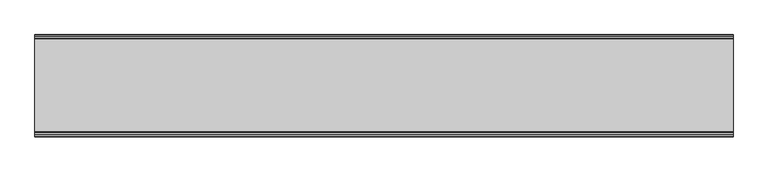
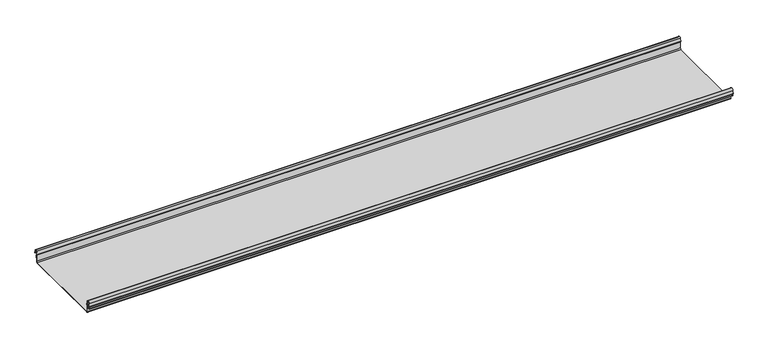
"""IFC4 building model written with IfcOpenShell, lengths in millimetres: beam geometry."""

from ifc_helpers import new_model, si_unit, frame, origin, place, context, project, spatial, polyline, circle_curve, source, transform, mapped, element, save
from ifc_brep_helpers import plane_surface, cylinder_surface, revolved_surface, advanced_brep


def beam_177447ba(model_context):
    return source(origin(), model_context, "Body", "AdvancedBrep", [
        advanced_brep(
        [(1208.3106884, 174.5298471, 17.4730576), (1208.3106884, 169.9958217, 21.2486363), (1208.3106884, 165.4890072, 17.6093124), (1208.3106884, 163.0420077, 6.2503755), (1208.3106884, 164.7006671, 3.7959761), (1208.3106884, 165.8698319, 2.0849359), (1208.3106884, 164.3793103, -21.3247551), (1208.3106884, 160.6848586, -24.7896475), (1208.3106884, -159.5640942, -24.7896475), (1208.3106884, -163.2568715, -21.3207217), (1208.3106884, -164.7263748, 2.1632779), (1208.3106884, -164.0984471, 3.0966958), (1208.3106884, -161.8868093, 6.1624874), (1208.3106884, -162.770348, 17.3389905), (1208.3106884, -170.0, 24.0196704), (1208.3106884, -177.229652, 17.3389905), (1208.3106884, -178.1131907, 6.1624874), (1208.3106884, -175.9015529, 3.0966958), (1208.3106884, -175.2736252, 2.1632779), (1208.3106884, -175.6653397, -4.0966758), (1208.3106884, -174.6633838, -4.0966758), (1208.3106884, -174.255975, 2.4140875), (1208.3106884, -175.661391, 4.0675496), (1208.3106884, -177.1158116, 6.08368), (1208.3106884, -176.2261211, 17.3379999), (1208.3106884, -170.0, 23.0196704), (1208.3106884, -163.767144, 17.2589936), (1208.3106884, -162.8795452, 6.0037927), (1208.3106884, -164.338609, 4.0675496), (1208.3106884, -165.744025, 2.4140875), (1208.3106884, -164.2549195, -21.3831743), (1208.3106884, -159.5640942, -25.7896475), (1208.3106884, 160.6846135, -25.7896475), (1208.3106884, 165.3772895, -21.3882975), (1208.3106884, 166.868024, 2.0247376), (1208.3106884, 164.9644432, 4.7613501), (1208.3106884, 164.0277999, 6.0779003), (1208.3106884, 166.4434849, 17.2822335), (1208.3106884, 170.0063307, 20.2496221), (1208.3106884, 173.4803249, 17.6539317), (1208.3106884, 175.5075757, 6.5459412), (1208.3106884, 176.5074356, 6.7299959), (-1208.3106884, 174.5298471, 17.4730576), (-1208.3106884, 176.5074356, 6.7299959), (-1208.3106884, 175.5075757, 6.5459412), (-1208.3106884, 173.4803249, 17.6539317), (-1208.3106884, 170.0063307, 20.2496221), (-1208.3106884, 166.4434849, 17.2822335), (-1208.3106884, 164.0277999, 6.0779003), (-1208.3106884, 164.9644432, 4.7613501), (-1208.3106884, 166.868024, 2.0247376), (-1208.3106884, 165.3772895, -21.3882975), (-1208.3106884, 160.6846135, -25.7896475), (-1208.3106884, -159.5640942, -25.7896475), (-1208.3106884, -164.2549195, -21.3831743), (-1208.3106884, -165.744025, 2.4140875), (-1208.3106884, -164.338609, 4.0675496), (-1208.3106884, -162.8795452, 6.0037927), (-1208.3106884, -163.767144, 17.2589936), (-1208.3106884, -170.0, 23.0196704), (-1208.3106884, -176.2261211, 17.3379999), (-1208.3106884, -177.1158116, 6.08368), (-1208.3106884, -175.661391, 4.0675496), (-1208.3106884, -174.255975, 2.4140875), (-1208.3106884, -174.6633838, -4.0966758), (-1208.3106884, -175.6653397, -4.0966758), (-1208.3106884, -175.2736252, 2.1632779), (-1208.3106884, -175.9015529, 3.0966958), (-1208.3106884, -178.1066021, 6.2458324), (-1208.3106884, -177.229652, 17.3389905), (-1208.3106884, -170.0, 24.0196704), (-1208.3106884, -162.770348, 17.3389905), (-1208.3106884, -161.8868093, 6.1624874), (-1208.3106884, -164.0984471, 3.0966958), (-1208.3106884, -164.7263748, 2.1632779), (-1208.3106884, -163.2568715, -21.3207217), (-1208.3106884, -159.5640942, -24.7896475), (-1208.3106884, 160.6848586, -24.7896475), (-1208.3106884, 164.3793103, -21.3247551), (-1208.3106884, 165.8698319, 2.0849359), (-1208.3106884, 164.7006671, 3.7959761), (-1208.3106884, 163.0420077, 6.2503755), (-1208.3106884, 165.4890072, 17.6093124), (-1208.3106884, 169.9958217, 21.2486363)],
        [
            (0, 1, circle_curve(frame((1208.3106884, 169.9958217, 16.6384317), z_axis=(1.0, 0.0, 0.0), x_axis=(0.0, 1.0, 0.0)), 4.6102046)),
            (1, 2, circle_curve(frame((1208.3106884, 169.9958217, 16.6384317), z_axis=(1.0, 0.0, 0.0), x_axis=(0.0, 0.2105938444020083, 0.9775736456656259)), 4.6102046)),
            (2, 3),
            (3, 4, circle_curve(frame((1208.3106884, 165.4262002, 6.073937), z_axis=(1.0, 0.0, 0.0), x_axis=(0.0, -0.9528378408797884, 0.30347989881958104)), 2.3907121)),
            (4, 5, circle_curve(frame((1208.3106884, 164.1897695, 2.1919074), z_axis=(-1.0, 0.0, 0.0), x_axis=(0.0, 0.06354246328302078, 0.9979791357337717)), 1.6834645)),
            (5, 6),
            (6, 7, circle_curve(frame((1208.3106884, 160.6867875, -21.089648), z_axis=(-1.0, 0.0, 0.0), x_axis=(0.0, 0.9999998641088232, -0.0005213274739325337)), 3.7)),
            (7, 8),
            (8, 9, circle_curve(frame((1208.3106884, -159.5640942, -21.0896475), z_axis=(-1.0, 0.0, 0.0), x_axis=(0.0, 0.062452508687223206, -0.9980479368039755)), 3.7)),
            (9, 10),
            (10, 11, circle_curve(frame((1208.3106884, -163.8044049, 2.2209698), z_axis=(-1.0, 0.0, 0.0), x_axis=(0.0, -0.9479881328261025, -0.31830567073314897)), 0.9237732)),
            (11, 12, circle_curve(frame((1208.3106884, -164.7984694, 5.9323112), z_axis=(1.0, 0.0, 0.0), x_axis=(0.0, 0.07880737243916666, -0.9968898625471294)), 2.9207441)),
            (12, 13),
            (13, 14, circle_curve(frame((1208.3106884, -170.0, 16.7674631), z_axis=(1.0, 0.0, 0.0), x_axis=(0.0, 1.0, 0.0)), 7.2522073)),
            (14, 15, circle_curve(frame((1208.3106884, -170.0, 16.7674631), z_axis=(1.0, 0.0, 0.0), x_axis=(0.0, 0.07880737243912425, 0.9968898625471327)), 7.2522073)),
            (15, 16),
            (16, 17, circle_curve(frame((1208.3106884, -175.2001089, 5.9344165), z_axis=(1.0, 0.0, 0.0), x_axis=(0.0, -0.9707819351134729, 0.2399634023290655)), 2.9231288)),
            (17, 18, circle_curve(frame((1208.3106884, -176.1025472, 2.2835649), z_axis=(-1.0, 0.0, 0.0), x_axis=(0.0, 0.14360843272178178, 0.9896345881441257)), 0.8376041)),
            (18, 19),
            (19, 20, circle_curve(frame((1208.3106884, -175.1643617, -4.0966758), z_axis=(1.0, 0.0, 0.0), x_axis=(0.0, 0.0, -1.0)), 0.5009779)),
            (20, 21),
            (21, 22, circle_curve(frame((1208.3106884, -176.1062911, 2.2653702), z_axis=(1.0, 0.0, 0.0), x_axis=(0.0, 0.9708537722163966, -0.23967259537375799)), 1.856283)),
            (22, 23, circle_curve(frame((1208.3106884, -175.2010412, 5.9323112), z_axis=(-1.0, 0.0, 0.0), x_axis=(0.0, -0.07880737243914376, -0.9968898625471312)), 1.9207441)),
            (23, 24),
            (24, 25, circle_curve(frame((1208.3106884, -170.0770494, 16.8518958), z_axis=(-1.0, 0.0, 0.0), x_axis=(0.0, -0.9999219808421378, 0.012491286112139365)), 6.1682558)),
            (25, 26, circle_curve(frame((1208.3106884, -170.0791743, 16.6817991), z_axis=(-1.0, 0.0, 0.0), x_axis=(0.0, -0.09106361391821856, 0.9958450774192508)), 6.3383658)),
            (26, 27),
            (27, 28, circle_curve(frame((1208.3106884, -164.70299, 5.8599936), z_axis=(-1.0, 0.0, 0.0), x_axis=(0.0, 0.9799562955839813, 0.19921259685401593)), 1.8291061)),
            (28, 29, circle_curve(frame((1208.3106884, -163.9886548, 2.3460727), z_axis=(1.0, 0.0, 0.0), x_axis=(0.0, 0.03871763325448635, 0.9992501913310655)), 1.7566874)),
            (29, 30),
            (30, 31, circle_curve(frame((1208.3106884, -159.5640942, -21.0896475), z_axis=(1.0, 0.0, 0.0), x_axis=(0.0, -1.0, 0.0)), 4.7)),
            (31, 32),
            (32, 33, circle_curve(frame((1208.3106884, 160.6846135, -21.0873301), z_axis=(1.0, 0.0, 0.0), x_axis=(0.0, -0.06400407594283139, -0.997949637137418)), 4.7023174)),
            (33, 34),
            (34, 35, circle_curve(frame((1208.3106884, 164.1939121, 2.1950013), z_axis=(1.0, 0.0, 0.0), x_axis=(0.0, 0.9577619201002135, -0.2875623487279797)), 2.6795268)),
            (35, 36, circle_curve(frame((1208.3106884, 165.0972859, 5.8473161), z_axis=(-1.0, 0.0, 0.0), x_axis=(0.0, -0.210759855052358, -0.9775378680635902)), 1.094061)),
            (36, 37),
            (37, 38, circle_curve(frame((1208.3106884, 170.0063307, 16.627032), z_axis=(-1.0, 0.0, 0.0), x_axis=(0.0, -1.0, 0.0)), 3.6225901)),
            (38, 39, circle_curve(frame((1208.3106884, 170.0063307, 16.627032), z_axis=(-1.0, 0.0, 0.0), x_axis=(0.0, -0.2834711363957483, 0.9589807687490417)), 3.6225901)),
            (39, 40),
            (40, 41, circle_curve(frame((1208.3106884, 176.0075057, 6.6379685), z_axis=(1.0, 0.0, 0.0), x_axis=(0.0, 0.18103878268247353, -0.9834759575937014)), 0.5083296)),
            (41, 0),
            (42, 43),
            (43, 44, circle_curve(frame((-1208.3106884, 176.0075057, 6.6379685), z_axis=(-1.0, 0.0, 0.0), x_axis=(0.0, 0.18103878268247353, -0.9834759575937014)), 0.5083296)),
            (44, 45),
            (45, 46, circle_curve(frame((-1208.3106884, 170.0063307, 16.627032), z_axis=(1.0, 0.0, 0.0), x_axis=(0.0, -0.2834711363957483, 0.9589807687490417)), 3.6225901)),
            (46, 47, circle_curve(frame((-1208.3106884, 170.0063307, 16.627032), z_axis=(1.0, 0.0, 0.0), x_axis=(0.0, -1.0, 0.0)), 3.6225901)),
            (47, 48),
            (48, 49, circle_curve(frame((-1208.3106884, 165.0972859, 5.8473161), z_axis=(1.0, 0.0, 0.0), x_axis=(0.0, -0.210759855052358, -0.9775378680635902)), 1.094061)),
            (49, 50, circle_curve(frame((-1208.3106884, 164.1939121, 2.1950013), z_axis=(-1.0, 0.0, 0.0), x_axis=(0.0, 0.9577619201002135, -0.2875623487279797)), 2.6795268)),
            (50, 51),
            (51, 52, circle_curve(frame((-1208.3106884, 160.6846135, -21.0873301), z_axis=(-1.0, 0.0, 0.0), x_axis=(0.0, -0.06400407594283139, -0.997949637137418)), 4.7023174)),
            (52, 53),
            (53, 54, circle_curve(frame((-1208.3106884, -159.5640942, -21.0896475), z_axis=(-1.0, 0.0, 0.0), x_axis=(0.0, -1.0, 0.0)), 4.7)),
            (54, 55),
            (55, 56, circle_curve(frame((-1208.3106884, -163.9886548, 2.3460727), z_axis=(-1.0, 0.0, 0.0), x_axis=(0.0, 0.03871763325448635, 0.9992501913310655)), 1.7566874)),
            (56, 57, circle_curve(frame((-1208.3106884, -164.70299, 5.8599936), z_axis=(1.0, 0.0, 0.0), x_axis=(0.0, 0.9799562955839813, 0.19921259685401593)), 1.8291061)),
            (57, 58),
            (58, 59, circle_curve(frame((-1208.3106884, -170.0791743, 16.6817991), z_axis=(1.0, 0.0, 0.0), x_axis=(0.0, -0.09106361391821856, 0.9958450774192508)), 6.3383658)),
            (59, 60, circle_curve(frame((-1208.3106884, -170.0770494, 16.8518958), z_axis=(1.0, 0.0, 0.0), x_axis=(0.0, -0.9999219808421378, 0.012491286112139365)), 6.1682558)),
            (60, 61),
            (61, 62, circle_curve(frame((-1208.3106884, -175.2010412, 5.9323112), z_axis=(1.0, 0.0, 0.0), x_axis=(0.0, -0.07880737243914376, -0.9968898625471312)), 1.9207441)),
            (62, 63, circle_curve(frame((-1208.3106884, -176.1062911, 2.2653702), z_axis=(-1.0, 0.0, 0.0), x_axis=(0.0, 0.9708537722163966, -0.23967259537375799)), 1.856283)),
            (63, 64),
            (64, 65, circle_curve(frame((-1208.3106884, -175.1643617, -4.0966758), z_axis=(-1.0, 0.0, 0.0), x_axis=(0.0, 0.0, -1.0)), 0.5009779)),
            (65, 66),
            (66, 67, circle_curve(frame((-1208.3106884, -176.1025472, 2.2835649), z_axis=(1.0, 0.0, 0.0), x_axis=(0.0, 0.14360843272178178, 0.9896345881441257)), 0.8376041)),
            (67, 68, circle_curve(frame((-1208.3106884, -175.2001089, 5.9344165), z_axis=(-1.0, 0.0, 0.0), x_axis=(0.0, -0.9707819351134729, 0.2399634023290655)), 2.9231288)),
            (68, 69),
            (69, 70, circle_curve(frame((-1208.3106884, -170.0, 16.7674631), z_axis=(-1.0, 0.0, 0.0), x_axis=(0.0, 0.07880737243912425, 0.9968898625471327)), 7.2522073)),
            (70, 71, circle_curve(frame((-1208.3106884, -170.0, 16.7674631), z_axis=(-1.0, 0.0, 0.0), x_axis=(0.0, 1.0, 0.0)), 7.2522073)),
            (71, 72),
            (72, 73, circle_curve(frame((-1208.3106884, -164.7984694, 5.9323112), z_axis=(-1.0, 0.0, 0.0), x_axis=(0.0, 0.07880737243916666, -0.9968898625471294)), 2.9207441)),
            (73, 74, circle_curve(frame((-1208.3106884, -163.8044049, 2.2209698), z_axis=(1.0, 0.0, 0.0), x_axis=(0.0, -0.9479881328261025, -0.31830567073314897)), 0.9237732)),
            (74, 75),
            (75, 76, circle_curve(frame((-1208.3106884, -159.5640942, -21.0896475), z_axis=(1.0, 0.0, 0.0), x_axis=(0.0, 0.062452508687223206, -0.9980479368039755)), 3.7)),
            (76, 77),
            (77, 78, circle_curve(frame((-1208.3106884, 160.6867875, -21.089648), z_axis=(1.0, 0.0, 0.0), x_axis=(0.0, 0.9999998641088232, -0.0005213274739325337)), 3.7)),
            (78, 79),
            (79, 80, circle_curve(frame((-1208.3106884, 164.1897695, 2.1919074), z_axis=(1.0, 0.0, 0.0), x_axis=(0.0, 0.06354246328302078, 0.9979791357337717)), 1.6834645)),
            (80, 81, circle_curve(frame((-1208.3106884, 165.4262002, 6.073937), z_axis=(-1.0, 0.0, 0.0), x_axis=(0.0, -0.9528378408797884, 0.30347989881958104)), 2.3907121)),
            (81, 82),
            (82, 83, circle_curve(frame((-1208.3106884, 169.9958217, 16.6384317), z_axis=(-1.0, 0.0, 0.0), x_axis=(0.0, 0.2105938444020083, 0.9775736456656259)), 4.6102046)),
            (83, 42, circle_curve(frame((-1208.3106884, 169.9958217, 16.6384317), z_axis=(-1.0, 0.0, 0.0), x_axis=(0.0, 1.0, 0.0)), 4.6102046)),
            (42, 0),
            (41, 43),
            (40, 44),
            (39, 45),
            (38, 46),
            (37, 47),
            (36, 48),
            (35, 49),
            (34, 50),
            (33, 51),
            (32, 52),
            (31, 53),
            (30, 54),
            (29, 55),
            (28, 56),
            (27, 57),
            (26, 58),
            (25, 59),
            (24, 60),
            (23, 61),
            (22, 62),
            (21, 63),
            (20, 64),
            (19, 65),
            (18, 66),
            (17, 67),
            (16, 68),
            (15, 69),
            (14, 70),
            (13, 71),
            (12, 72),
            (11, 73),
            (10, 74),
            (9, 75),
            (8, 76),
            (7, 77),
            (6, 78),
            (5, 79),
            (4, 80),
            (3, 81),
            (2, 82),
            (1, 83),
        ],
        [
            plane_surface(frame((1208.3106884, 176.5074356, 6.7299959), z_axis=(1.0000000000000002, 0.0, 0.0), x_axis=(0.0, -0.18103878268248824, 0.9834759575936989))),
            plane_surface(frame((-1208.3106884, 176.5074356, 6.7299959), z_axis=(-1.0000000000000002, 0.0, 0.0), x_axis=(0.0, 0.18103878268248824, -0.9834759575936989))),
            plane_surface(frame((1208.3106884, 175.5186413, 12.1015267), z_axis=(0.0, 0.9834759575937931, 0.18103878268197598), x_axis=(0.0, 0.18103878268197598, -0.9834759575937931))),
            cylinder_surface(frame((1208.3106884, 176.0075057, 6.6379685), z_axis=(-1.0, 0.0, 0.0), x_axis=(0.0, 0.18103878268247353, -0.9834759575937014)), 0.5083296),
            plane_surface(frame((1208.3106884, 174.4939503, 12.0999365), z_axis=(0.0, -0.9837509798366516, -0.17953832368168063), x_axis=(0.0, -0.17953832368168063, 0.9837509798366516))),
            revolved_surface(polyline([(-1208.3106884, 168.979430967657, 20.101026238960667), (1208.3106884, 168.979430967657, 20.101026238960667)]), (1208.3106884, 170.0063307, 16.627032), (-1.0, 0.0, 0.0)),
            revolved_surface(polyline([(-1208.3106884, 166.3837406, 16.627032), (1208.3106884, 166.3837406, 16.627032)]), (1208.3106884, 170.0063307, 16.627032), (-1.0, 0.0, 0.0)),
            plane_surface(frame((1208.3106884, 165.2356424, 11.6800669), z_axis=(0.0, 0.9775378680634891, -0.2107598550528272), x_axis=(0.0, -0.2107598550528272, -0.9775378680634891))),
            revolved_surface(polyline([(-1208.3106884, 164.86670176222157, 4.77783004252848), (1208.3106884, 164.86670176222157, 4.77783004252848)]), (1208.3106884, 165.0972859, 5.8473161), (-1.0, 0.0, 0.0)),
            cylinder_surface(frame((1208.3106884, 164.1939121, 2.1950013), z_axis=(-1.0, 0.0, 0.0), x_axis=(0.0, 0.9577619201002135, -0.2875623487279797)), 2.6795268),
            plane_surface(frame((1208.3106884, 166.1226567, -9.68178), z_axis=(0.0, 0.9979791357337514, -0.06354246328334037), x_axis=(0.0, -0.06354246328334037, -0.9979791357337514))),
            cylinder_surface(frame((1208.3106884, 160.6846135, -21.0873301), z_axis=(-1.0, 0.0, 0.0), x_axis=(0.0, -0.06400407594283139, -0.997949637137418)), 4.7023174),
            plane_surface(frame((1208.3106884, 0.5602597, -25.7896475), z_axis=(0.0, 0.0, -1.0), x_axis=(0.0, -1.0, 0.0))),
            cylinder_surface(frame((1208.3106884, -159.5640942, -21.0896475), z_axis=(-1.0, 0.0, 0.0), x_axis=(0.0, -1.0, 0.0)), 4.7),
            plane_surface(frame((1208.3106884, -164.9994722, -9.4845434), z_axis=(0.0, -0.99804793680396, -0.06245250868747398), x_axis=(0.0, -0.06245250868747398, 0.99804793680396))),
            cylinder_surface(frame((1208.3106884, -163.9886548, 2.3460727), z_axis=(-1.0, 0.0, 0.0), x_axis=(0.0, 0.03871763325448635, 0.9992501913310655)), 1.7566874),
            revolved_surface(polyline([(-1208.3106884, -162.91054596201394, 6.224374576102521), (1208.3106884, -162.91054596201394, 6.224374576102521)]), (1208.3106884, -164.70299, 5.8599936), (-1.0, 0.0, 0.0)),
            plane_surface(frame((1208.3106884, -163.3233446, 11.6313931), z_axis=(0.0, -0.9969048840807634, -0.07861712342689589), x_axis=(0.0, -0.07861712342689589, 0.9969048840807634))),
            revolved_surface(polyline([(-1208.3106884, -170.65636879608365, 22.99382948081253), (1208.3106884, -170.65636879608365, 22.99382948081253)]), (1208.3106884, -170.0791743, 16.6817991), (-1.0, 0.0, 0.0)),
            revolved_surface(polyline([(-1208.3106884, -176.244823957877, 16.928945248010663), (1208.3106884, -176.244823957877, 16.928945248010663)]), (1208.3106884, -170.0770494, 16.8518958), (-1.0, 0.0, 0.0)),
            plane_surface(frame((1208.3106884, -176.6709664, 11.71084), z_axis=(0.0, 0.9968898625470921, -0.07880737243963815), x_axis=(0.0, -0.07880737243963815, -0.9968898625470921))),
            revolved_surface(polyline([(-1208.3106884, -175.35240999564897, 4.017540878162787), (1208.3106884, -175.35240999564897, 4.017540878162787)]), (1208.3106884, -175.2010412, 5.9323112), (-1.0, 0.0, 0.0)),
            cylinder_surface(frame((1208.3106884, -176.1062911, 2.2653702), z_axis=(-1.0, 0.0, 0.0), x_axis=(0.0, 0.9708537722163966, -0.23967259537375799)), 1.856283),
            plane_surface(frame((1208.3106884, -174.4596794, -0.8412941), z_axis=(0.0, 0.9980479368039222, -0.06245250868807452), x_axis=(0.0, -0.06245250868807452, -0.9980479368039222))),
            cylinder_surface(frame((1208.3106884, -175.1643617, -4.0966758), z_axis=(-1.0, 0.0, 0.0), x_axis=(0.0, 0.0, -1.0)), 0.5009779),
            plane_surface(frame((1208.3106884, -175.4694824, -0.9666989), z_axis=(0.0, -0.9980479368040358, 0.06245250868626084), x_axis=(0.0, 0.06245250868626084, 0.9980479368040358))),
            revolved_surface(polyline([(-1208.3106884, -175.98226018795768, 3.112486888531331), (1208.3106884, -175.98226018795768, 3.112486888531331)]), (1208.3106884, -176.1025472, 2.2835649), (-1.0, 0.0, 0.0)),
            cylinder_surface(frame((1208.3106884, -175.2001089, 5.9344165), z_axis=(-1.0, 0.0, 0.0), x_axis=(0.0, -0.9707819351134729, 0.2399634023290655)), 2.9231288),
            plane_surface(frame((1208.3106884, -177.6714214, 11.7507389), z_axis=(0.0, -0.9968898625471735, 0.07880737243860966), x_axis=(0.0, 0.07880737243860966, 0.9968898625471735))),
            cylinder_surface(frame((1208.3106884, -170.0, 16.7674631), z_axis=(-1.0, 0.0, 0.0), x_axis=(0.0, 0.07880737243912425, 0.9968898625471327)), 7.2522073),
            cylinder_surface(frame((1208.3106884, -170.0, 16.7674631), z_axis=(-1.0, 0.0, 0.0), x_axis=(0.0, 1.0, 0.0)), 7.2522073),
            plane_surface(frame((1208.3106884, -162.3285786, 11.7507389), z_axis=(0.0, 0.9968898625471712, 0.07880737243863836), x_axis=(0.0, 0.07880737243863836, -0.9968898625471712))),
            cylinder_surface(frame((1208.3106884, -164.7984694, 5.9323112), z_axis=(-1.0, 0.0, 0.0), x_axis=(0.0, 0.07880737243916666, -0.9968898625471294)), 2.9207441),
            revolved_surface(polyline([(-1208.3106884, -164.6801309310228, 1.9269275519686928), (1208.3106884, -164.6801309310228, 1.9269275519686928)]), (1208.3106884, -163.8044049, 2.2209698), (-1.0, 0.0, 0.0)),
            plane_surface(frame((1208.3106884, -163.9916232, -9.5787219), z_axis=(0.0, 0.9980479368039906, 0.0624525086869835), x_axis=(0.0, 0.0624525086869835, -0.9980479368039906))),
            revolved_surface(polyline([(-1208.3106884, -159.33301991785729, -24.78242486617471), (1208.3106884, -159.33301991785729, -24.78242486617471)]), (1208.3106884, -159.5640942, -21.0896475), (-1.0, 0.0, 0.0)),
            plane_surface(frame((1208.3106884, 0.5603822, -24.7896475), z_axis=(0.0, 0.0, 1.0), x_axis=(0.0, 1.0, 0.0))),
            revolved_surface(polyline([(-1208.3106884, 164.38678699720265, -21.09157691165355), (1208.3106884, 164.38678699720265, -21.09157691165355)]), (1208.3106884, 160.6867875, -21.089648), (-1.0, 0.0, 0.0)),
            plane_surface(frame((1208.3106884, 165.1245711, -9.6199096), z_axis=(0.0, -0.9979791357337828, 0.06354246328284598), x_axis=(0.0, 0.06354246328284598, 0.9979791357337828))),
            revolved_surface(polyline([(-1208.3106884, 164.29674098117954, 3.871969846748486), (1208.3106884, 164.29674098117954, 3.871969846748486)]), (1208.3106884, 164.1897695, 2.1919074), (-1.0, 0.0, 0.0)),
            cylinder_surface(frame((1208.3106884, 165.4262002, 6.073937), z_axis=(-1.0, 0.0, 0.0), x_axis=(0.0, -0.9528378408797884, 0.30347989881958104)), 2.3907121),
            plane_surface(frame((1208.3106884, 164.2655075, 11.929844), z_axis=(0.0, -0.9775736456657296, 0.21059384440152715), x_axis=(0.0, 0.21059384440152715, 0.9775736456657296))),
            cylinder_surface(frame((1208.3106884, 169.9958217, 16.6384317), z_axis=(-1.0, 0.0, 0.0), x_axis=(0.0, 0.2105938444020083, 0.9775736456656259)), 4.6102046),
            cylinder_surface(frame((1208.3106884, 169.9958217, 16.6384317), z_axis=(-1.0, 0.0, 0.0), x_axis=(0.0, 1.0, 0.0)), 4.6102046),
        ],
        [
            (0, [[1, 2, 3, 4, 5, 6, 7, 8, 9, 10, 11, 12, 13, 14, 15, 16, 17, 18, 19, 20, 21, 22, 23, 24, 25, 26, 27, 28, 29, 30, 31, 32, 33, 34, 35, 36, 37, 38, 39, 40, 41, 42]]),
            (1, [[43, 44, 45, 46, 47, 48, 49, 50, 51, 52, 53, 54, 55, 56, 57, 58, 59, 60, 61, 62, 63, 64, 65, 66, 67, 68, 69, 70, 71, 72, 73, 74, 75, 76, 77, 78, 79, 80, 81, 82, 83, 84]]),
            (2, [[-43, 85, -42, 86]]),
            (3, [[-44, -86, -41, 87]]),
            (4, [[-45, -87, -40, 88]]),
            (5, [[-46, -88, -39, 89]]),
            (6, [[-47, -89, -38, 90]]),
            (7, [[-48, -90, -37, 91]]),
            (8, [[-49, -91, -36, 92]]),
            (9, [[-50, -92, -35, 93]]),
            (10, [[-51, -93, -34, 94]]),
            (11, [[-52, -94, -33, 95]]),
            (12, [[-53, -95, -32, 96]]),
            (13, [[-54, -96, -31, 97]]),
            (14, [[-55, -97, -30, 98]]),
            (15, [[-56, -98, -29, 99]]),
            (16, [[-57, -99, -28, 100]]),
            (17, [[-58, -100, -27, 101]]),
            (18, [[-59, -101, -26, 102]]),
            (19, [[-60, -102, -25, 103]]),
            (20, [[-61, -103, -24, 104]]),
            (21, [[-62, -104, -23, 105]]),
            (22, [[-63, -105, -22, 106]]),
            (23, [[-64, -106, -21, 107]]),
            (24, [[-65, -107, -20, 108]]),
            (25, [[-66, -108, -19, 109]]),
            (26, [[-67, -109, -18, 110]]),
            (27, [[-68, -110, -17, 111]]),
            (28, [[-69, -111, -16, 112]]),
            (29, [[-70, -112, -15, 113]]),
            (30, [[-71, -113, -14, 114]]),
            (31, [[-72, -114, -13, 115]]),
            (32, [[-73, -115, -12, 116]]),
            (33, [[-74, -116, -11, 117]]),
            (34, [[-75, -117, -10, 118]]),
            (35, [[-76, -118, -9, 119]]),
            (36, [[-77, -119, -8, 120]]),
            (37, [[-78, -120, -7, 121]]),
            (38, [[-79, -121, -6, 122]]),
            (39, [[-80, -122, -5, 123]]),
            (40, [[-81, -123, -4, 124]]),
            (41, [[-82, -124, -3, 125]]),
            (42, [[-83, -125, -2, 126]]),
            (43, [[-84, -126, -1, -85]]),
        ],
    ),
    ])


if __name__ == "__main__":
    model = new_model("IFC4")
    model_context = context("Model", 3, world=origin())
    ifc_project = project(units=[si_unit("LENGTHUNIT", "METRE", prefix="MILLI")], contexts=[model_context])
    site = spatial("IfcSite", under=ifc_project)
    building = spatial("IfcBuilding", under=site)
    placement = place(None, origin())
    beam_shape = beam_177447ba(model_context)
    element("IfcBeam", 1, at=placement, inside=building, context=model_context, shape_type="MappedRepresentation", body=[
        mapped(beam_shape, transform((0.0, 0.0, 0.0), x_axis=(1.0, 0.0, 0.0), y_axis=(0.0, 1.0, 0.0), z_axis=(0.0, 0.0, 1.0))),
    ])
    save(model, "model.ifc")
